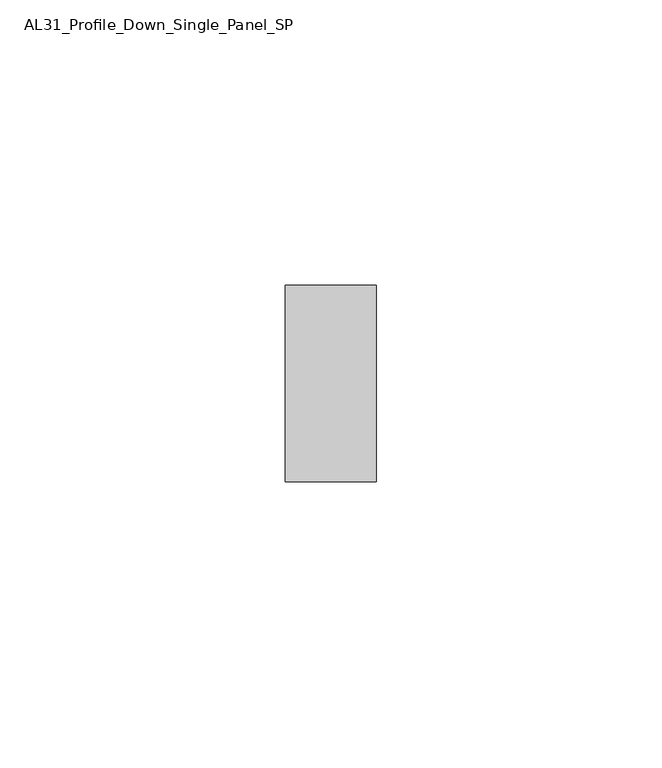
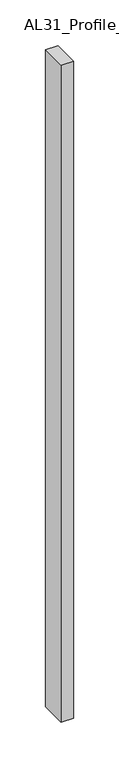
"""IFC4 building model written with IfcOpenShell, lengths in millimetres: member geometry, AL31_Profile_Down_Single_Panel_SP."""

from ifc_helpers import new_model, si_unit, frame, origin, place, context, project, spatial, polyline, outline, extrude, source, transform, mapped, element, save


def al31_profile_down_single_panel_sp_d85f0806(model_context):
    return source(origin(), model_context, "Body", "SweptSolid", [
        extrude(outline(polyline([(0.0, -17.25), (-16.0, -17.25), (-16.0, 17.25), (0.0, 17.25), (0.0, -17.25)])), frame((0.0, 0.0, -880.3602632), z_axis=(0.0, 0.0, 1.0), x_axis=(1.0, 0.0, 0.0)), (0.0, 0.0, 1.0), 880.3602632),
    ])


if __name__ == "__main__":
    model = new_model("IFC4")
    model_context = context("Model", 3, world=origin())
    ifc_project = project(units=[si_unit("LENGTHUNIT", "METRE", prefix="MILLI")], contexts=[model_context])
    site = spatial("IfcSite", under=ifc_project)
    building = spatial("IfcBuilding", under=site)
    placement = place(None, origin())
    al31_profile_down_single_panel_sp_shape = al31_profile_down_single_panel_sp_d85f0806(model_context)
    element("IfcMember", 1, ObjectType="AL31_Profile_Down_Single_Panel_SP", at=placement, inside=building, context=model_context, shape_type="MappedRepresentation", body=[
        mapped(al31_profile_down_single_panel_sp_shape, transform((0.0, 0.0, 0.0), x_axis=(1.0, 0.0, 0.0), y_axis=(0.0, 1.0, 0.0), z_axis=(0.0, 0.0, 1.0))),
    ])
    save(model, "model.ifc")
